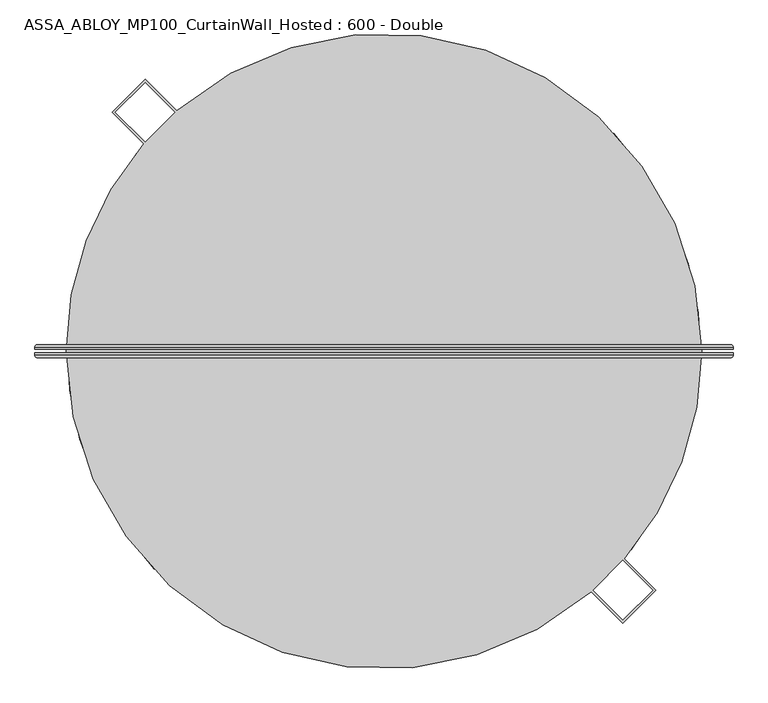
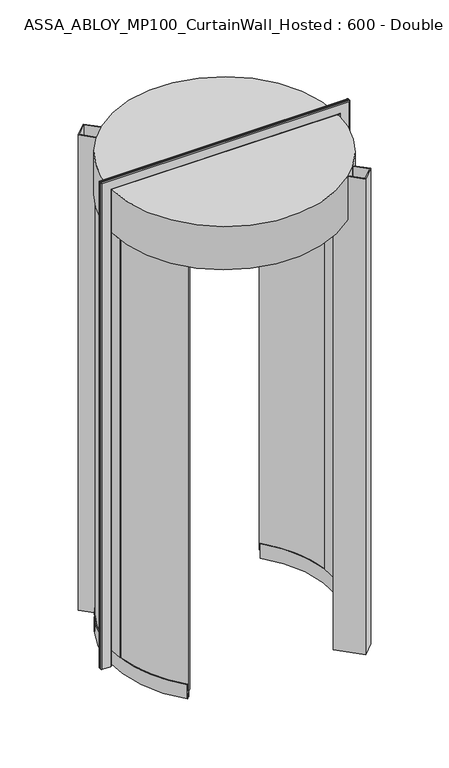
"""IFC4 building model written with IfcOpenShell, lengths in millimetres: plate geometry, ASSA_ABLOY_MP100_CurtainWall_Hosted : 600 - Double."""

from ifc_helpers import new_model, si_unit, point, frame, origin, origin_2d, place, context, project, spatial, polyline, circle_curve, ellipse_curve, trimmed, segment, composite_curve, outline, extrude, source, transform, mapped, element, save
from ifc_brep_helpers import plane_surface, cylinder_surface, revolved_surface, advanced_brep


def assa_abloy_mp100_curtainwall_hosted_600_double_f165bd57(model_context):
    return source(origin(), model_context, "Body", "SolidModel", [
        advanced_brep(
        [(595.0980762, 11.0, 0.0), (599.0980762, 7.0, 0.0), (599.0980762, 3.0, 0.0), (597.0980762, 3.0, 0.0), (597.0980762, 7.0, 0.0), (595.0980762, 9.0, 0.0), (553.0980762, 9.0, 0.0), (551.0980762, 7.0, 0.0), (551.0980762, 3.0, 0.0), (549.0980762, 3.0, 0.0), (549.0980762, 7.0, 0.0), (553.0980762, 11.0, 0.0), (595.0980762, 11.0, 2470.9980762), (599.0980762, 7.0, 2474.9980762), (599.0980762, 3.0, 2474.9980762), (549.0980762, 7.0, 2424.9980762), (553.0980762, 11.0, 2428.9980762), (-553.0980762, 11.0, 2428.9980762), (-553.0980762, 11.0, 0.0), (-595.0980762, 11.0, 0.0), (-595.0980762, 11.0, 2470.9980762), (-599.0980762, 7.0, 2474.9980762), (-599.0980762, 3.0, 2474.9980762), (-549.0980762, 7.0, 2424.9980762), (-549.0980762, 7.0, 0.0), (-549.0980762, 3.0, 0.0), (-551.0980762, 3.0, 0.0), (-551.0980762, 7.0, 0.0), (-553.0980762, 9.0, 0.0), (-595.0980762, 9.0, 0.0), (-597.0980762, 7.0, 0.0), (-597.0980762, 3.0, 0.0), (-599.0980762, 3.0, 0.0), (-599.0980762, 7.0, 0.0), (-597.0980762, 3.0, 2472.9980762), (597.0980762, 3.0, 2472.9980762), (597.0980762, 7.0, 2472.9980762), (595.0980762, 9.0, 2470.9980762), (-595.0980762, 9.0, 2470.9980762), (-553.0980762, 9.0, 2428.9980762), (553.0980762, 9.0, 2428.9980762), (551.0980762, 7.0, 2426.9980762), (551.0980762, 3.0, 2426.9980762), (-551.0980762, 3.0, 2426.9980762), (-549.0980762, 3.0, 2424.9980762), (549.0980762, 3.0, 2424.9980762), (-597.0980762, 7.0, 2472.9980762), (-551.0980762, 7.0, 2426.9980762)],
        [
            (0, 1, circle_curve(frame((595.0980762, 7.0, 0.0), z_axis=(0.0, 0.0, -1.0), x_axis=(-1.0, 0.0, 0.0)), 4.0)),
            (1, 2),
            (2, 3),
            (3, 4),
            (4, 5, circle_curve(frame((595.0980762, 7.0, 0.0), z_axis=(0.0, 0.0, 1.0), x_axis=(-1.0, 0.0, 0.0)), 2.0)),
            (5, 6),
            (6, 7, circle_curve(frame((553.0980762, 7.0, 0.0), z_axis=(0.0, 0.0, 1.0), x_axis=(-1.0, 0.0, 0.0)), 2.0)),
            (7, 8),
            (8, 9),
            (9, 10),
            (10, 11, circle_curve(frame((553.0980762, 7.0, 0.0), z_axis=(0.0, 0.0, -1.0), x_axis=(-1.0, 0.0, 0.0)), 4.0)),
            (11, 0),
            (0, 12),
            (12, 13, ellipse_curve(frame((595.0980762, 7.0, 2470.9980762), z_axis=(0.7071067811865475, 0.0, -0.7071067811865475), x_axis=(-0.7071067811865474, 0.0, -0.7071067811865476)), 5.6568542, 4.0)),
            (13, 1),
            (13, 14),
            (14, 2),
            (10, 15),
            (15, 16, ellipse_curve(frame((553.0980762, 7.0, 2428.9980762), z_axis=(0.7071067811865475, 0.0, -0.7071067811865475), x_axis=(-0.7071067811865474, 0.0, -0.7071067811865476)), 5.6568542, 4.0)),
            (16, 11),
            (16, 17),
            (17, 18),
            (18, 19),
            (19, 20),
            (20, 12),
            (20, 21, ellipse_curve(frame((-595.0980762, 7.0, 2470.9980762), z_axis=(0.7071067811865475, 0.0, 0.7071067811865475), x_axis=(0.7071067811865476, 0.0, -0.7071067811865474)), 5.6568542, 4.0)),
            (21, 13),
            (21, 22),
            (22, 14),
            (15, 23),
            (23, 17, ellipse_curve(frame((-553.0980762, 7.0, 2428.9980762), z_axis=(0.7071067811865475, 0.0, 0.7071067811865475), x_axis=(0.7071067811865476, 0.0, -0.7071067811865474)), 5.6568542, 4.0)),
            (18, 24, circle_curve(frame((-553.0980762, 7.0, 0.0), z_axis=(0.0, 0.0, -1.0), x_axis=(1.0, 0.0, 0.0)), 4.0)),
            (24, 25),
            (25, 26),
            (26, 27),
            (27, 28, circle_curve(frame((-553.0980762, 7.0, 0.0), z_axis=(0.0, 0.0, 1.0), x_axis=(1.0, 0.0, 0.0)), 2.0)),
            (28, 29),
            (29, 30, circle_curve(frame((-595.0980762, 7.0, 0.0), z_axis=(0.0, 0.0, 1.0), x_axis=(1.0, 0.0, 0.0)), 2.0)),
            (30, 31),
            (31, 32),
            (32, 33),
            (33, 19, circle_curve(frame((-595.0980762, 7.0, 0.0), z_axis=(0.0, 0.0, -1.0), x_axis=(1.0, 0.0, 0.0)), 4.0)),
            (33, 21),
            (32, 22),
            (23, 24),
            (31, 34),
            (34, 35),
            (35, 3),
            (35, 36),
            (36, 4),
            (36, 37, ellipse_curve(frame((595.0980762, 7.0, 2470.9980762), z_axis=(-0.7071067811865475, 0.0, 0.7071067811865475), x_axis=(0.7071067811865474, 0.0, 0.7071067811865476)), 2.8284271, 2.0)),
            (37, 5),
            (37, 38),
            (38, 29),
            (28, 39),
            (39, 40),
            (40, 6),
            (40, 41, ellipse_curve(frame((553.0980762, 7.0, 2428.9980762), z_axis=(-0.7071067811865475, 0.0, 0.7071067811865475), x_axis=(0.7071067811865474, 0.0, 0.7071067811865476)), 2.8284271, 2.0)),
            (41, 7),
            (41, 42),
            (42, 8),
            (42, 43),
            (43, 26),
            (25, 44),
            (44, 45),
            (45, 9),
            (45, 15),
            (34, 46),
            (46, 36),
            (46, 38, ellipse_curve(frame((-595.0980762, 7.0, 2470.9980762), z_axis=(-0.7071067811865475, 0.0, -0.7071067811865475), x_axis=(-0.7071067811865476, 0.0, 0.7071067811865474)), 2.8284271, 2.0)),
            (39, 47, ellipse_curve(frame((-553.0980762, 7.0, 2428.9980762), z_axis=(-0.7071067811865475, 0.0, -0.7071067811865475), x_axis=(-0.7071067811865476, 0.0, 0.7071067811865474)), 2.8284271, 2.0)),
            (47, 41),
            (47, 43),
            (44, 23),
            (30, 46),
            (27, 47),
        ],
        [
            plane_surface(frame((549.1, 0.0, 0.0), z_axis=(0.0, 0.0, -1.0), x_axis=(0.0, -1.0, 0.0))),
            cylinder_surface(frame((595.0980762, 7.0, 0.0), z_axis=(0.0, 0.0, -1.0), x_axis=(-1.0, 0.0, 0.0)), 4.0),
            plane_surface(frame((599.0980762, 7.0, 0.0), z_axis=(1.0, 0.0, 0.0), x_axis=(0.0, 0.0, 1.0))),
            cylinder_surface(frame((553.0980762, 7.0, 0.0), z_axis=(0.0, 0.0, -1.0), x_axis=(-1.0, 0.0, 0.0)), 4.0),
            plane_surface(frame((553.0980762, 11.0, 0.0), z_axis=(0.0, 1.0, 0.0), x_axis=(0.0, 0.0, 1.0))),
            cylinder_surface(frame((549.1, 7.0, 2470.9980762), z_axis=(1.0, 0.0, 0.0), x_axis=(0.0, 0.0, -1.0)), 4.0),
            plane_surface(frame((599.0980762, 7.0, 2474.9980762), z_axis=(0.0, 0.0, 1.0), x_axis=(-1.0, 0.0, 0.0))),
            cylinder_surface(frame((549.1, 7.0, 2428.9980762), z_axis=(1.0, 0.0, 0.0), x_axis=(0.0, 0.0, -1.0)), 4.0),
            plane_surface(frame((-549.1, 0.0, 0.0), z_axis=(0.0, 0.0, -1.0), x_axis=(0.0, -1.0, 0.0))),
            cylinder_surface(frame((-595.0980762, 7.0, 2425.0), z_axis=(0.0, 0.0, 1.0), x_axis=(1.0, 0.0, 0.0)), 4.0),
            plane_surface(frame((-599.0980762, 7.0, 2474.9980762), z_axis=(-1.0, 0.0, 0.0), x_axis=(0.0, 0.0, -1.0))),
            cylinder_surface(frame((-553.0980762, 7.0, 2425.0), z_axis=(0.0, 0.0, 1.0), x_axis=(1.0, 0.0, 0.0)), 4.0),
            plane_surface(frame((599.0980762, 3.0, 0.0), z_axis=(0.0, -1.0, 0.0), x_axis=(0.0, 0.0, 1.0))),
            plane_surface(frame((597.0980762, 3.0, 0.0), z_axis=(-1.0, 0.0, 0.0), x_axis=(0.0, 0.0, 1.0))),
            revolved_surface(polyline([(593.0980762, 7.0, 2472.9980762), (593.0980762, 7.0, 0.0)]), (595.0980762, 7.0, 0.0), (0.0, 0.0, 1.0)),
            plane_surface(frame((595.0980762, 9.0, 0.0), z_axis=(0.0, -1.0, 0.0), x_axis=(0.0, 0.0, 1.0))),
            revolved_surface(polyline([(551.0980762, 7.0, 2430.998076182502), (551.0980762, 7.0, 0.0)]), (553.0980762, 7.0, 0.0), (0.0, 0.0, 1.0)),
            plane_surface(frame((551.0980762, 7.0, 0.0), z_axis=(1.0, 0.0, 0.0), x_axis=(0.0, 0.0, 1.0))),
            plane_surface(frame((551.0980762, 3.0, 0.0), z_axis=(0.0, -1.0, 0.0), x_axis=(0.0, 0.0, 1.0))),
            plane_surface(frame((549.0980762, 3.0, 0.0), z_axis=(-1.0, 0.0, 0.0), x_axis=(0.0, 0.0, 1.0))),
            plane_surface(frame((597.0980762, 3.0, 2472.9980762), z_axis=(0.0, 0.0, -1.0), x_axis=(-1.0, 0.0, 0.0))),
            revolved_surface(polyline([(-597.0980762, 7.0, 2468.9980762), (597.0980762, 7.0, 2468.9980762)]), (549.1, 7.0, 2470.9980762), (-1.0, 0.0, 0.0)),
            revolved_surface(polyline([(-555.0980761825018, 7.0, 2426.9980762), (555.0980761825018, 7.0, 2426.9980762)]), (549.1, 7.0, 2428.9980762), (-1.0, 0.0, 0.0)),
            plane_surface(frame((551.0980762, 7.0, 2426.9980762), z_axis=(0.0, 0.0, 1.0), x_axis=(-1.0, 0.0, 0.0))),
            plane_surface(frame((549.0980762, 3.0, 2424.9980762), z_axis=(0.0, 0.0, -1.0), x_axis=(-1.0, 0.0, 0.0))),
            plane_surface(frame((-597.0980762, 3.0, 2472.9980762), z_axis=(1.0, 0.0, 0.0), x_axis=(0.0, 0.0, -1.0))),
            revolved_surface(polyline([(-593.0980762, 7.0, 0.0), (-593.0980762, 7.0, 2472.9980762)]), (-595.0980762, 7.0, 2425.0), (0.0, 0.0, -1.0)),
            revolved_surface(polyline([(-551.0980762, 7.0, 0.0), (-551.0980762, 7.0, 2430.998076182502)]), (-553.0980762, 7.0, 2425.0), (0.0, 0.0, -1.0)),
            plane_surface(frame((-551.0980762, 7.0, 2426.9980762), z_axis=(-1.0, 0.0, 0.0), x_axis=(0.0, 0.0, -1.0))),
            plane_surface(frame((-549.0980762, 3.0, 2424.9980762), z_axis=(1.0, 0.0, 0.0), x_axis=(0.0, 0.0, -1.0))),
        ],
        [
            (0, [[1, 2, 3, 4, 5, 6, 7, 8, 9, 10, 11, 12]]),
            (1, [[-1, 13, 14, 15]]),
            (2, [[-2, -15, 16, 17]]),
            (3, [[-11, 18, 19, 20]]),
            (4, [[-12, -20, 21, 22, 23, 24, 25, -13]]),
            (5, [[-14, -25, 26, 27]]),
            (6, [[-16, -27, 28, 29]]),
            (7, [[-19, 30, 31, -21]]),
            (8, [[-23, 32, 33, 34, 35, 36, 37, 38, 39, 40, 41, 42]]),
            (9, [[-26, -24, -42, 43]]),
            (10, [[-28, -43, -41, 44]]),
            (11, [[-31, 45, -32, -22]]),
            (12, [[-3, -17, -29, -44, -40, 46, 47, 48]]),
            (13, [[-4, -48, 49, 50]]),
            (14, [[-5, -50, 51, 52]]),
            (15, [[-6, -52, 53, 54, -37, 55, 56, 57]]),
            (16, [[-7, -57, 58, 59]]),
            (17, [[-8, -59, 60, 61]]),
            (18, [[-9, -61, 62, 63, -34, 64, 65, 66]]),
            (19, [[-10, -66, 67, -18]]),
            (20, [[-49, -47, 68, 69]]),
            (21, [[-51, -69, 70, -53]]),
            (22, [[-58, -56, 71, 72]]),
            (23, [[-60, -72, 73, -62]]),
            (24, [[-67, -65, 74, -30]]),
            (25, [[-68, -46, -39, 75]]),
            (26, [[-70, -75, -38, -54]]),
            (27, [[-71, -55, -36, 76]]),
            (28, [[-73, -76, -35, -63]]),
            (29, [[-74, -64, -33, -45]]),
        ],
    ),
        advanced_brep(
        [(549.0980762, -3.0, 0.0), (551.0980762, -3.0, 0.0), (551.0980762, -7.0, 0.0), (553.0980762, -9.0, 0.0), (595.0980762, -9.0, 0.0), (597.0980762, -7.0, 0.0), (597.0980762, -3.0, 0.0), (599.0980762, -3.0, 0.0), (599.0980762, -7.0, 0.0), (595.0980762, -11.0, 0.0), (553.0980762, -11.0, 0.0), (549.0980762, -7.0, 0.0), (599.0980762, -7.0, 2474.9980762), (595.0980762, -11.0, 2470.9980762), (-595.0980762, -11.0, 2470.9980762), (-595.0980762, -11.0, 0.0), (-553.0980762, -11.0, 0.0), (-553.0980762, -11.0, 2428.9980762), (553.0980762, -11.0, 2428.9980762), (549.0980762, -7.0, 2424.9980762), (549.0980762, -3.0, 2424.9980762), (-599.0980762, -7.0, 2474.9980762), (-549.0980762, -7.0, 2424.9980762), (-549.0980762, -3.0, 2424.9980762), (-549.0980762, -3.0, 0.0), (-549.0980762, -7.0, 0.0), (-599.0980762, -7.0, 0.0), (-599.0980762, -3.0, 0.0), (-597.0980762, -3.0, 0.0), (-597.0980762, -7.0, 0.0), (-595.0980762, -9.0, 0.0), (-553.0980762, -9.0, 0.0), (-551.0980762, -7.0, 0.0), (-551.0980762, -3.0, 0.0), (-551.0980762, -3.0, 2426.9980762), (551.0980762, -3.0, 2426.9980762), (551.0980762, -7.0, 2426.9980762), (553.0980762, -9.0, 2428.9980762), (-553.0980762, -9.0, 2428.9980762), (-595.0980762, -9.0, 2470.9980762), (595.0980762, -9.0, 2470.9980762), (597.0980762, -7.0, 2472.9980762), (597.0980762, -3.0, 2472.9980762), (-597.0980762, -3.0, 2472.9980762), (-599.0980762, -3.0, 2474.9980762), (599.0980762, -3.0, 2474.9980762), (-551.0980762, -7.0, 2426.9980762), (-597.0980762, -7.0, 2472.9980762)],
        [
            (0, 1),
            (1, 2),
            (2, 3, circle_curve(frame((553.0980762, -7.0, 0.0), z_axis=(0.0, 0.0, 1.0), x_axis=(-1.0, 0.0, 0.0)), 2.0)),
            (3, 4),
            (4, 5, circle_curve(frame((595.0980762, -7.0, 0.0), z_axis=(0.0, 0.0, 1.0), x_axis=(-1.0, 0.0, 0.0)), 2.0)),
            (5, 6),
            (6, 7),
            (7, 8),
            (8, 9, circle_curve(frame((595.0980762, -7.0, 0.0), z_axis=(0.0, 0.0, -1.0), x_axis=(-1.0, 0.0, 0.0)), 4.0)),
            (9, 10),
            (10, 11, circle_curve(frame((553.0980762, -7.0, 0.0), z_axis=(0.0, 0.0, -1.0), x_axis=(-1.0, 0.0, 0.0)), 4.0)),
            (11, 0),
            (8, 12),
            (12, 13, ellipse_curve(frame((595.0980762, -7.0, 2470.9980762), z_axis=(0.7071067811865475, 0.0, -0.7071067811865475), x_axis=(-0.7071067811865474, 0.0, -0.7071067811865476)), 5.6568542, 4.0)),
            (13, 9),
            (13, 14),
            (14, 15),
            (15, 16),
            (16, 17),
            (17, 18),
            (18, 10),
            (18, 19, ellipse_curve(frame((553.0980762, -7.0, 2428.9980762), z_axis=(0.7071067811865475, 0.0, -0.7071067811865475), x_axis=(-0.7071067811865474, 0.0, -0.7071067811865476)), 5.6568542, 4.0)),
            (19, 11),
            (19, 20),
            (20, 0),
            (12, 21),
            (21, 14, ellipse_curve(frame((-595.0980762, -7.0, 2470.9980762), z_axis=(0.7071067811865475, 0.0, 0.7071067811865475), x_axis=(0.7071067811865476, 0.0, -0.7071067811865474)), 5.6568542, 4.0)),
            (17, 22, ellipse_curve(frame((-553.0980762, -7.0, 2428.9980762), z_axis=(0.7071067811865475, 0.0, 0.7071067811865475), x_axis=(0.7071067811865476, 0.0, -0.7071067811865474)), 5.6568542, 4.0)),
            (22, 19),
            (22, 23),
            (23, 20),
            (24, 25),
            (25, 16, circle_curve(frame((-553.0980762, -7.0, 0.0), z_axis=(0.0, 0.0, -1.0), x_axis=(1.0, 0.0, 0.0)), 4.0)),
            (15, 26, circle_curve(frame((-595.0980762, -7.0, 0.0), z_axis=(0.0, 0.0, -1.0), x_axis=(1.0, 0.0, 0.0)), 4.0)),
            (26, 27),
            (27, 28),
            (28, 29),
            (29, 30, circle_curve(frame((-595.0980762, -7.0, 0.0), z_axis=(0.0, 0.0, 1.0), x_axis=(1.0, 0.0, 0.0)), 2.0)),
            (30, 31),
            (31, 32, circle_curve(frame((-553.0980762, -7.0, 0.0), z_axis=(0.0, 0.0, 1.0), x_axis=(1.0, 0.0, 0.0)), 2.0)),
            (32, 33),
            (33, 24),
            (21, 26),
            (25, 22),
            (24, 23),
            (33, 34),
            (34, 35),
            (35, 1),
            (35, 36),
            (36, 2),
            (36, 37, ellipse_curve(frame((553.0980762, -7.0, 2428.9980762), z_axis=(-0.7071067811865475, 0.0, 0.7071067811865475), x_axis=(0.7071067811865474, 0.0, 0.7071067811865476)), 2.8284271, 2.0)),
            (37, 3),
            (37, 38),
            (38, 31),
            (30, 39),
            (39, 40),
            (40, 4),
            (40, 41, ellipse_curve(frame((595.0980762, -7.0, 2470.9980762), z_axis=(-0.7071067811865475, 0.0, 0.7071067811865475), x_axis=(0.7071067811865474, 0.0, 0.7071067811865476)), 2.8284271, 2.0)),
            (41, 5),
            (41, 42),
            (42, 6),
            (42, 43),
            (43, 28),
            (27, 44),
            (44, 45),
            (45, 7),
            (45, 12),
            (34, 46),
            (46, 36),
            (46, 38, ellipse_curve(frame((-553.0980762, -7.0, 2428.9980762), z_axis=(-0.7071067811865475, 0.0, -0.7071067811865475), x_axis=(-0.7071067811865476, 0.0, 0.7071067811865474)), 2.8284271, 2.0)),
            (39, 47, ellipse_curve(frame((-595.0980762, -7.0, 2470.9980762), z_axis=(-0.7071067811865475, 0.0, -0.7071067811865475), x_axis=(-0.7071067811865476, 0.0, 0.7071067811865474)), 2.8284271, 2.0)),
            (47, 41),
            (47, 43),
            (44, 21),
            (32, 46),
            (29, 47),
        ],
        [
            plane_surface(frame((549.1, 0.0, 0.0), z_axis=(0.0, 0.0, -1.0), x_axis=(0.0, -1.0, 0.0))),
            cylinder_surface(frame((595.0980762, -7.0, 0.0), z_axis=(0.0, 0.0, -1.0), x_axis=(-1.0, 0.0, 0.0)), 4.0),
            plane_surface(frame((595.0980762, -11.0, 0.0), z_axis=(0.0, -1.0, 0.0), x_axis=(0.0, 0.0, 1.0))),
            cylinder_surface(frame((553.0980762, -7.0, 0.0), z_axis=(0.0, 0.0, -1.0), x_axis=(-1.0, 0.0, 0.0)), 4.0),
            plane_surface(frame((549.0980762, -7.0, 0.0), z_axis=(-1.0, 0.0, 0.0), x_axis=(0.0, 0.0, 1.0))),
            cylinder_surface(frame((549.1, -7.0, 2470.9980762), z_axis=(1.0, 0.0, 0.0), x_axis=(0.0, 0.0, -1.0)), 4.0),
            cylinder_surface(frame((549.1, -7.0, 2428.9980762), z_axis=(1.0, 0.0, 0.0), x_axis=(0.0, 0.0, -1.0)), 4.0),
            plane_surface(frame((549.0980762, -7.0, 2424.9980762), z_axis=(0.0, 0.0, -1.0), x_axis=(-1.0, 0.0, 0.0))),
            plane_surface(frame((-549.1, 0.0, 0.0), z_axis=(0.0, 0.0, -1.0), x_axis=(0.0, -1.0, 0.0))),
            cylinder_surface(frame((-595.0980762, -7.0, 2425.0), z_axis=(0.0, 0.0, 1.0), x_axis=(1.0, 0.0, 0.0)), 4.0),
            cylinder_surface(frame((-553.0980762, -7.0, 2425.0), z_axis=(0.0, 0.0, 1.0), x_axis=(1.0, 0.0, 0.0)), 4.0),
            plane_surface(frame((-549.0980762, -7.0, 2424.9980762), z_axis=(1.0, 0.0, 0.0), x_axis=(0.0, 0.0, -1.0))),
            plane_surface(frame((549.0980762, -3.0, 0.0), z_axis=(0.0, 1.0, 0.0), x_axis=(0.0, 0.0, 1.0))),
            plane_surface(frame((551.0980762, -3.0, 0.0), z_axis=(1.0, 0.0, 0.0), x_axis=(0.0, 0.0, 1.0))),
            revolved_surface(polyline([(551.0980762, -7.0, 2430.998076182502), (551.0980762, -7.0, 0.0)]), (553.0980762, -7.0, 0.0), (0.0, 0.0, 1.0)),
            plane_surface(frame((553.0980762, -9.0, 0.0), z_axis=(0.0, 1.0, 0.0), x_axis=(0.0, 0.0, 1.0))),
            revolved_surface(polyline([(593.0980762, -7.0, 2472.9980762), (593.0980762, -7.0, 0.0)]), (595.0980762, -7.0, 0.0), (0.0, 0.0, 1.0)),
            plane_surface(frame((597.0980762, -7.0, 0.0), z_axis=(-1.0, 0.0, 0.0), x_axis=(0.0, 0.0, 1.0))),
            plane_surface(frame((597.0980762, -3.0, 0.0), z_axis=(0.0, 1.0, 0.0), x_axis=(0.0, 0.0, 1.0))),
            plane_surface(frame((599.0980762, -3.0, 0.0), z_axis=(1.0, 0.0, 0.0), x_axis=(0.0, 0.0, 1.0))),
            plane_surface(frame((551.0980762, -3.0, 2426.9980762), z_axis=(0.0, 0.0, 1.0), x_axis=(-1.0, 0.0, 0.0))),
            revolved_surface(polyline([(-555.0980761825018, -7.0, 2426.9980762), (555.0980761825018, -7.0, 2426.9980762)]), (549.1, -7.0, 2428.9980762), (-1.0, 0.0, 0.0)),
            revolved_surface(polyline([(-597.0980762, -7.0, 2468.9980762), (597.0980762, -7.0, 2468.9980762)]), (549.1, -7.0, 2470.9980762), (-1.0, 0.0, 0.0)),
            plane_surface(frame((597.0980762, -7.0, 2472.9980762), z_axis=(0.0, 0.0, -1.0), x_axis=(-1.0, 0.0, 0.0))),
            plane_surface(frame((599.0980762, -3.0, 2474.9980762), z_axis=(0.0, 0.0, 1.0), x_axis=(-1.0, 0.0, 0.0))),
            plane_surface(frame((-551.0980762, -3.0, 2426.9980762), z_axis=(-1.0, 0.0, 0.0), x_axis=(0.0, 0.0, -1.0))),
            revolved_surface(polyline([(-551.0980762, -7.0, 0.0), (-551.0980762, -7.0, 2430.998076182502)]), (-553.0980762, -7.0, 2425.0), (0.0, 0.0, -1.0)),
            revolved_surface(polyline([(-593.0980762, -7.0, 0.0), (-593.0980762, -7.0, 2472.9980762)]), (-595.0980762, -7.0, 2425.0), (0.0, 0.0, -1.0)),
            plane_surface(frame((-597.0980762, -7.0, 2472.9980762), z_axis=(1.0, 0.0, 0.0), x_axis=(0.0, 0.0, -1.0))),
            plane_surface(frame((-599.0980762, -3.0, 2474.9980762), z_axis=(-1.0, 0.0, 0.0), x_axis=(0.0, 0.0, -1.0))),
        ],
        [
            (0, [[1, 2, 3, 4, 5, 6, 7, 8, 9, 10, 11, 12]]),
            (1, [[-9, 13, 14, 15]]),
            (2, [[-10, -15, 16, 17, 18, 19, 20, 21]]),
            (3, [[-11, -21, 22, 23]]),
            (4, [[-12, -23, 24, 25]]),
            (5, [[-14, 26, 27, -16]]),
            (6, [[-22, -20, 28, 29]]),
            (7, [[-24, -29, 30, 31]]),
            (8, [[32, 33, -18, 34, 35, 36, 37, 38, 39, 40, 41, 42]]),
            (9, [[-27, 43, -34, -17]]),
            (10, [[-28, -19, -33, 44]]),
            (11, [[-30, -44, -32, 45]]),
            (12, [[-1, -25, -31, -45, -42, 46, 47, 48]]),
            (13, [[-2, -48, 49, 50]]),
            (14, [[-3, -50, 51, 52]]),
            (15, [[-4, -52, 53, 54, -39, 55, 56, 57]]),
            (16, [[-5, -57, 58, 59]]),
            (17, [[-6, -59, 60, 61]]),
            (18, [[-7, -61, 62, 63, -36, 64, 65, 66]]),
            (19, [[-8, -66, 67, -13]]),
            (20, [[-49, -47, 68, 69]]),
            (21, [[-51, -69, 70, -53]]),
            (22, [[-58, -56, 71, 72]]),
            (23, [[-60, -72, 73, -62]]),
            (24, [[-67, -65, 74, -26]]),
            (25, [[-68, -46, -41, 75]]),
            (26, [[-70, -75, -40, -54]]),
            (27, [[-71, -55, -38, 76]]),
            (28, [[-73, -76, -37, -63]]),
            (29, [[-74, -64, -35, -43]]),
        ],
    ),
        advanced_brep(
        [(-379.7517034, -360.4070563, 73.0), (-381.9277231, -362.472229, 73.0), (-381.9277231, -362.472229, 39.0), (-392.0824817, -372.1097016, 39.0), (-392.0824817, -372.1097016, 73.0), (-394.2585014, -374.1748743, 73.0), (-394.2585014, -374.1748743, 0.0), (-392.0824817, -372.1097016, 0.0), (-392.0824817, -372.1097016, 24.0), (-381.9277231, -362.472229, 24.0), (-381.9277231, -362.472229, 0.0), (-379.7517034, -360.4070563, 0.0), (-408.2986839, 327.7144904, 73.0), (-408.2986839, 327.7144904, 0.0), (-410.638281, 329.5923311, 0.0), (-410.638281, 329.5923311, 24.0), (-421.5564007, 338.3555874, 24.0), (-421.5564007, 338.3555874, 0.0), (-423.8959978, 340.2334281, 0.0), (-423.8959978, 340.2334281, 73.0), (-421.5564007, 338.3555874, 73.0), (-421.5564007, 338.3555874, 39.0), (-410.638281, 329.5923311, 39.0), (-410.638281, 329.5923311, 73.0), (-519.6530012, -63.760182, 73.0), (-522.630671, -64.1255349, 73.0), (-526.2534983, 17.6679957, 73.0), (-523.2551876, 17.567333, 73.0), (-540.2456149, 18.1377521, 73.0), (-536.5264636, -65.8305123, 73.0), (-539.5041334, -66.1958651, 73.0), (-543.2439256, 18.2384148, 73.0), (-543.2439256, 18.2384148, 2200.0), (-539.5041334, -66.1958651, 2200.0), (-536.5264636, -65.8305123, 2200.0), (-540.2456149, 18.1377521, 2200.0), (-523.2551876, 17.567333, 2200.0), (-526.2534983, 17.6679957, 2200.0), (-522.630671, -64.1255349, 2200.0), (-519.6530012, -63.760182, 2200.0)],
        [
            (0, 1),
            (1, 2),
            (2, 3),
            (3, 4),
            (4, 5),
            (5, 6),
            (6, 7),
            (7, 8),
            (8, 9),
            (9, 10),
            (10, 11),
            (11, 0),
            (12, 13),
            (13, 14),
            (14, 15),
            (15, 16),
            (16, 17),
            (17, 18),
            (18, 19),
            (19, 20),
            (20, 21),
            (21, 22),
            (22, 23),
            (23, 12),
            (0, 24, circle_curve(frame((0.0, 0.0, 73.0), z_axis=(0.0, 0.0, -1.0), x_axis=(-0.7253398976610149, -0.6883909012044744, 0.0)), 523.55)),
            (24, 25),
            (25, 1, circle_curve(frame((0.0, 0.0, 73.0), z_axis=(0.0, 0.0, 1.0), x_axis=(-0.7253398976610149, -0.6883909012044744, 0.0)), 526.55)),
            (23, 26, circle_curve(frame((0.0, 0.0, 73.0), z_axis=(0.0, 0.0, 1.0), x_axis=(-0.7253398976610149, -0.6883909012044744, 0.0)), 526.55)),
            (26, 27),
            (27, 12, circle_curve(frame((0.0, 0.0, 73.0), z_axis=(0.0, 0.0, -1.0), x_axis=(-0.7253398976610149, -0.6883909012044744, 0.0)), 523.55)),
            (25, 26, circle_curve(frame((0.0, 0.0, 73.0), z_axis=(0.0, 0.0, -1.0), x_axis=(-0.7253398976610149, -0.6883909012044744, 0.0)), 526.55)),
            (22, 2, circle_curve(frame((0.0, 0.0, 39.0), z_axis=(0.0, 0.0, 1.0), x_axis=(-0.7253398976610149, -0.6883909012044744, 0.0)), 526.55)),
            (21, 3, circle_curve(frame((0.0, 0.0, 39.0), z_axis=(0.0, 0.0, 1.0), x_axis=(-0.7253398976610149, -0.6883909012044744, 0.0)), 540.55)),
            (20, 28, circle_curve(frame((0.0, 0.0, 73.0), z_axis=(0.0, 0.0, 1.0), x_axis=(-0.7253398976610149, -0.6883909012044744, 0.0)), 540.55)),
            (28, 29, circle_curve(frame((0.0, 0.0, 73.0), z_axis=(0.0, 0.0, 1.0), x_axis=(-0.7253398976610149, -0.6883909012044744, 0.0)), 540.55)),
            (29, 4, circle_curve(frame((0.0, 0.0, 73.0), z_axis=(0.0, 0.0, 1.0), x_axis=(-0.7253398976610149, -0.6883909012044744, 0.0)), 540.55)),
            (29, 30),
            (30, 5, circle_curve(frame((0.0, 0.0, 73.0), z_axis=(0.0, 0.0, 1.0), x_axis=(-0.7253398976610149, -0.6883909012044744, 0.0)), 543.55)),
            (19, 31, circle_curve(frame((0.0, 0.0, 73.0), z_axis=(0.0, 0.0, 1.0), x_axis=(-0.7253398976610149, -0.6883909012044744, 0.0)), 543.55)),
            (31, 28),
            (30, 31, circle_curve(frame((0.0, 0.0, 73.0), z_axis=(0.0, 0.0, -1.0), x_axis=(-0.7253398976610149, -0.6883909012044744, 0.0)), 543.55)),
            (18, 6, circle_curve(frame((0.0, 0.0, 0.0), z_axis=(0.0, 0.0, 1.0), x_axis=(-0.7253398976610149, -0.6883909012044744, 0.0)), 543.55)),
            (17, 7, circle_curve(frame((0.0, 0.0, 0.0), z_axis=(0.0, 0.0, 1.0), x_axis=(-0.7253398976610149, -0.6883909012044744, 0.0)), 540.55)),
            (16, 8, circle_curve(frame((0.0, 0.0, 24.0), z_axis=(0.0, 0.0, 1.0), x_axis=(-0.7253398976610149, -0.6883909012044744, 0.0)), 540.55)),
            (15, 9, circle_curve(frame((0.0, 0.0, 24.0), z_axis=(0.0, 0.0, 1.0), x_axis=(-0.7253398976610149, -0.6883909012044744, 0.0)), 526.55)),
            (14, 10, circle_curve(frame((0.0, 0.0, 0.0), z_axis=(0.0, 0.0, 1.0), x_axis=(-0.7253398976610149, -0.6883909012044744, 0.0)), 526.55)),
            (13, 11, circle_curve(frame((0.0, 0.0, 0.0), z_axis=(0.0, 0.0, 1.0), x_axis=(-0.7253398976610149, -0.6883909012044744, 0.0)), 523.55)),
            (27, 24, circle_curve(frame((0.0, 0.0, 73.0), z_axis=(0.0, 0.0, 1.0), x_axis=(-0.7253398976610149, -0.6883909012044744, 0.0)), 523.55)),
            (32, 33, circle_curve(frame((0.0, 0.0, 2200.0), z_axis=(0.0, 0.0, 1.0), x_axis=(0.7071067811865459, -0.7071067811865491, 0.0)), 543.55)),
            (33, 34),
            (34, 35, circle_curve(frame((0.0, 0.0, 2200.0), z_axis=(0.0, 0.0, -1.0), x_axis=(0.7071067811865459, -0.7071067811865491, 0.0)), 540.55)),
            (35, 32),
            (32, 31),
            (30, 33),
            (29, 34),
            (28, 35),
            (36, 37),
            (37, 38, circle_curve(frame((0.0, 0.0, 2200.0), z_axis=(0.0, 0.0, 1.0), x_axis=(0.7071067811865459, -0.7071067811865492, 0.0)), 526.55)),
            (38, 39),
            (39, 36, circle_curve(frame((0.0, 0.0, 2200.0), z_axis=(0.0, 0.0, -1.0), x_axis=(0.7071067811865459, -0.7071067811865492, 0.0)), 523.55)),
            (36, 27),
            (26, 37),
            (25, 38),
            (24, 39),
        ],
        [
            plane_surface(frame((-387.0051024, -367.2909653, 0.0), z_axis=(0.6883909012044744, -0.725339897661015, 0.0), x_axis=(0.0, 0.0, 1.0))),
            plane_surface(frame((-416.0973408, 333.9739593, 0.0), z_axis=(0.6259468826825044, 0.7798656936037481, 0.0), x_axis=(0.0, 0.0, 1.0))),
            plane_surface(frame((0.0, 0.0, 73.0), z_axis=(0.0, 0.0, 1.0), x_axis=(-0.7253398976610149, -0.6883909012044744, 0.0))),
            cylinder_surface(frame((0.0, 0.0, 0.0), z_axis=(0.0, 0.0, -1.0), x_axis=(-0.7253398976610149, -0.6883909012044744, 0.0)), 526.55),
            plane_surface(frame((0.0, 0.0, 39.0), z_axis=(0.0, 0.0, 1.0), x_axis=(-0.7253398976610149, -0.6883909012044744, 0.0))),
            revolved_surface(polyline([(-392.0824816806616, -372.10970164607863, 39.0), (-392.0824816806616, -372.10970164607863, 73.0)]), (0.0, 0.0, 0.0), (0.0, 0.0, -1.0)),
            cylinder_surface(frame((0.0, 0.0, 0.0), z_axis=(0.0, 0.0, -1.0), x_axis=(-0.7253398976610149, -0.6883909012044744, 0.0)), 543.55),
            plane_surface(frame((0.0, 0.0, 0.0), z_axis=(0.0, 0.0, -1.0), x_axis=(-0.7253398976610149, -0.6883909012044744, 0.0))),
            revolved_surface(polyline([(-392.0824816806616, -372.10970164607863, 0.0), (-392.0824816806616, -372.10970164607863, 24.0)]), (0.0, 0.0, 0.0), (0.0, 0.0, -1.0)),
            plane_surface(frame((0.0, 0.0, 24.0), z_axis=(0.0, 0.0, -1.0), x_axis=(-0.7253398976610149, -0.6883909012044744, 0.0))),
            revolved_surface(polyline([(-379.75170342042435, -360.4070563256026, 0.0), (-379.75170342042435, -360.4070563256026, 73.0)]), (0.0, 0.0, 0.0), (0.0, 0.0, -1.0)),
            plane_surface(frame((384.3478909, -384.3478909, 2200.0), z_axis=(0.0, 0.0, 1.0), x_axis=(0.7071067811865491, 0.7071067811865459, 0.0))),
            cylinder_surface(frame((0.0, 0.0, 73.0), z_axis=(0.0, 0.0, 1.0), x_axis=(0.7071067811865459, -0.7071067811865491, 0.0)), 543.55),
            plane_surface(frame((-539.5041334, -66.1958651, 2200.0), z_axis=(0.1217842920042436, -0.9925565909413051, 0.0), x_axis=(0.0, 0.0, -1.0))),
            revolved_surface(polyline([(382.22657057038737, -382.2265705703891, 73.0), (382.22657057038737, -382.2265705703891, 2200.0)]), (0.0, 0.0, 73.0), (0.0, 0.0, -1.0)),
            plane_surface(frame((-540.2456149, 18.1377521, 2200.0), z_axis=(0.033554229627503304, 0.9994368982952875, 0.0), x_axis=(0.0, 0.0, -1.0))),
            plane_surface(frame((-523.2551876, 17.567333, 2200.0), z_axis=(0.0, 0.0, 1.0000000000000002), x_axis=(-0.9994368982082206, 0.03355423222085559, 0.0))),
            plane_surface(frame((-523.2551876, 17.567333, 2200.0), z_axis=(0.03355423222085559, 0.9994368982082206, 0.0), x_axis=(0.0, 0.0, -1.0))),
            cylinder_surface(frame((0.0, 0.0, 73.0), z_axis=(0.0, 0.0, 1.0000000000000002), x_axis=(0.7071067811865459, -0.7071067811865492, 0.0)), 526.55),
            plane_surface(frame((-522.630671, -64.1255349, 2200.0), z_axis=(0.12178429472698447, -0.9925565906072313, 0.0), x_axis=(0.0, 0.0, -1.0))),
            revolved_surface(polyline([(370.2057552902161, -370.20575529021784, 73.0), (370.2057552902161, -370.20575529021784, 2200.000000000001)]), (0.0, 0.0, 73.0), (0.0, 0.0, -1.0000000000000002)),
        ],
        [
            (0, [[1, 2, 3, 4, 5, 6, 7, 8, 9, 10, 11, 12]]),
            (1, [[13, 14, 15, 16, 17, 18, 19, 20, 21, 22, 23, 24]]),
            (2, [[-1, 25, 26, 27]]),
            (2, [[-24, 28, 29, 30]]),
            (3, [[-2, -27, 31, -28, -23, 32]]),
            (4, [[-3, -32, -22, 33]]),
            (5, [[-4, -33, -21, 34, 35, 36]]),
            (2, [[-5, -36, 37, 38]]),
            (2, [[-20, 39, 40, -34]]),
            (6, [[-6, -38, 41, -39, -19, 42]]),
            (7, [[-7, -42, -18, 43]]),
            (8, [[-8, -43, -17, 44]]),
            (9, [[-9, -44, -16, 45]]),
            (3, [[-10, -45, -15, 46]]),
            (7, [[-11, -46, -14, 47]]),
            (10, [[-12, -47, -13, -30, 48, -25]]),
            (11, [[49, 50, 51, 52]]),
            (12, [[-49, 53, -41, 54]]),
            (13, [[-50, -54, -37, 55]]),
            (14, [[-51, -55, -35, 56]]),
            (15, [[-52, -56, -40, -53]]),
            (16, [[57, 58, 59, 60]]),
            (17, [[-57, 61, -29, 62]]),
            (18, [[-58, -62, -31, 63]]),
            (19, [[-59, -63, -26, 64]]),
            (20, [[-60, -64, -48, -61]]),
        ],
    ),
        advanced_brep(
        [(539.502708, 66.1956627, 2200.0), (536.5250382, 65.8303099, 2200.0), (540.2441773, -18.1376765, 2200.0), (543.2424879, -18.2383391, 2200.0), (539.502708, 66.1956627, 73.0), (536.5250382, 65.8303099, 73.0), (540.2441773, -18.1376765, 73.0), (543.2424879, -18.2383391, 73.0), (421.5578551, -338.3514758, 24.0), (421.5578551, -338.3514758, 0.0), (423.8974665, -340.2292986, 0.0), (423.8974665, -340.2292986, 73.0), (421.5578551, -338.3514758, 73.0), (421.5578551, -338.3514758, 39.0), (410.6396687, -329.5883026, 39.0), (410.6396687, -329.5883026, 73.0), (408.3000573, -327.7104797, 73.0), (408.3000573, -327.7104797, 0.0), (410.6396687, -329.5883026, 0.0), (410.6396687, -329.5883026, 24.0), (392.0833993, 372.1066438, 24.0), (381.92859, 362.4692247, 24.0), (381.92859, 362.4692247, 0.0), (379.7525594, 360.4040634, 0.0), (379.7525594, 360.4040634, 73.0), (381.92859, 362.4692247, 73.0), (381.92859, 362.4692247, 39.0), (392.0833993, 372.1066438, 39.0), (392.0833993, 372.1066438, 73.0), (394.2594299, 374.171805, 73.0), (394.2594299, 374.171805, 0.0), (392.0833993, 372.1066438, 0.0), (522.6292459, 64.1253301, 73.0), (526.2520607, -17.6679176, 73.0), (523.25375, -17.567255, 73.0), (519.6515761, 63.7599773, 73.0), (519.6515761, 63.7599773, 2200.0), (523.25375, -17.567255, 2200.0), (526.2520607, -17.6679176, 2200.0), (522.6292459, 64.1253301, 2200.0)],
        [
            (0, 1),
            (1, 2, circle_curve(frame((0.0, 0.0, 2200.0), z_axis=(0.0, 0.0, -1.0), x_axis=(-0.7071067811865481, -0.7071067811865469, 0.0)), 540.5485606)),
            (2, 3),
            (3, 0, circle_curve(frame((0.0, 0.0, 2200.0), z_axis=(0.0, 0.0, 1.0), x_axis=(-0.7071067811865481, -0.7071067811865469, 0.0)), 543.5485606)),
            (0, 4),
            (4, 5),
            (5, 1),
            (5, 6, circle_curve(frame((0.0, 0.0, 73.0), z_axis=(0.0, 0.0, -1.0), x_axis=(-0.7071067811865481, -0.7071067811865469, 0.0)), 540.5485606)),
            (6, 2),
            (6, 7),
            (7, 3),
            (7, 4, circle_curve(frame((0.0, 0.0, 73.0), z_axis=(0.0, 0.0, 1.0), x_axis=(-0.7071067811865481, -0.7071067811865469, 0.0)), 543.5485606)),
            (8, 9),
            (9, 10),
            (10, 11),
            (11, 12),
            (12, 13),
            (13, 14),
            (14, 15),
            (15, 16),
            (16, 17),
            (17, 18),
            (18, 19),
            (19, 8),
            (20, 21),
            (21, 22),
            (22, 23),
            (23, 24),
            (24, 25),
            (25, 26),
            (26, 27),
            (27, 28),
            (28, 29),
            (29, 30),
            (30, 31),
            (31, 20),
            (8, 20, circle_curve(frame((0.0, 0.0, 24.0), z_axis=(0.0, 0.0, 1.0), x_axis=(0.779870460956357, -0.6259409430031871, 0.0)), 540.5485606)),
            (31, 9, circle_curve(frame((0.0, 0.0, 0.0), z_axis=(0.0, 0.0, -1.0), x_axis=(0.779870460956357, -0.6259409430031871, 0.0)), 540.5485606)),
            (30, 10, circle_curve(frame((0.0, 0.0, 0.0), z_axis=(0.0, 0.0, -1.0), x_axis=(0.779870460956357, -0.6259409430031871, 0.0)), 543.5485606)),
            (29, 4, circle_curve(frame((0.0, 0.0, 73.0), z_axis=(0.0, 0.0, -1.0), x_axis=(0.779870460956357, -0.6259409430031871, 0.0)), 543.5485606)),
            (7, 11, circle_curve(frame((0.0, 0.0, 73.0), z_axis=(0.0, 0.0, -1.0), x_axis=(0.779870460956357, -0.6259409430031871, 0.0)), 543.5485606)),
            (6, 12, circle_curve(frame((0.0, 0.0, 73.0), z_axis=(0.0, 0.0, -1.0), x_axis=(0.779870460956357, -0.6259409430031871, 0.0)), 540.5485606)),
            (28, 5, circle_curve(frame((0.0, 0.0, 73.0), z_axis=(0.0, 0.0, -1.0), x_axis=(0.779870460956357, -0.6259409430031871, 0.0)), 540.5485606)),
            (27, 13, circle_curve(frame((0.0, 0.0, 39.0), z_axis=(0.0, 0.0, -1.0), x_axis=(0.779870460956357, -0.6259409430031871, 0.0)), 540.5485606)),
            (26, 14, circle_curve(frame((0.0, 0.0, 39.0), z_axis=(0.0, 0.0, -1.0), x_axis=(0.779870460956357, -0.6259409430031871, 0.0)), 526.5485606)),
            (25, 32, circle_curve(frame((0.0, 0.0, 73.0), z_axis=(0.0, 0.0, -1.0), x_axis=(0.779870460956357, -0.6259409430031871, 0.0)), 526.5485606)),
            (32, 33, circle_curve(frame((0.0, 0.0, 73.0), z_axis=(0.0, 0.0, -1.0), x_axis=(0.779870460956357, -0.6259409430031871, 0.0)), 526.5485606)),
            (33, 15, circle_curve(frame((0.0, 0.0, 73.0), z_axis=(0.0, 0.0, -1.0), x_axis=(0.779870460956357, -0.6259409430031871, 0.0)), 526.5485606)),
            (33, 34),
            (34, 16, circle_curve(frame((0.0, 0.0, 73.0), z_axis=(0.0, 0.0, -1.0), x_axis=(0.779870460956357, -0.6259409430031871, 0.0)), 523.5485606)),
            (24, 35, circle_curve(frame((0.0, 0.0, 73.0), z_axis=(0.0, 0.0, -1.0), x_axis=(0.779870460956357, -0.6259409430031871, 0.0)), 523.5485606)),
            (35, 32),
            (34, 35, circle_curve(frame((0.0, 0.0, 73.0), z_axis=(0.0, 0.0, 1.0), x_axis=(0.779870460956357, -0.6259409430031871, 0.0)), 523.5485606)),
            (23, 17, circle_curve(frame((0.0, 0.0, 0.0), z_axis=(0.0, 0.0, -1.0), x_axis=(0.779870460956357, -0.6259409430031871, 0.0)), 523.5485606)),
            (22, 18, circle_curve(frame((0.0, 0.0, 0.0), z_axis=(0.0, 0.0, -1.0), x_axis=(0.779870460956357, -0.6259409430031871, 0.0)), 526.5485606)),
            (21, 19, circle_curve(frame((0.0, 0.0, 24.0), z_axis=(0.0, 0.0, -1.0), x_axis=(0.779870460956357, -0.6259409430031871, 0.0)), 526.5485606)),
            (36, 37, circle_curve(frame((0.0, 0.0, 2200.0), z_axis=(0.0, 0.0, -1.0), x_axis=(-0.707106781186548, -0.707106781186547, 0.0)), 523.5485606)),
            (37, 38),
            (38, 39, circle_curve(frame((0.0, 0.0, 2200.0), z_axis=(0.0, 0.0, 1.0), x_axis=(-0.707106781186548, -0.707106781186547, 0.0)), 526.5485606)),
            (39, 36),
            (36, 35),
            (34, 37),
            (33, 38),
            (32, 39),
        ],
        [
            plane_surface(frame((539.502708, 66.1956627, 2200.0), z_axis=(0.0, 0.0, 1.0), x_axis=(-0.99255659409558, -0.12178426629652185, 0.0))),
            plane_surface(frame((539.502708, 66.1956627, 2200.0), z_axis=(-0.12178426629652185, 0.99255659409558, 0.0), x_axis=(0.0, 0.0, -1.0))),
            revolved_surface(polyline([(-382.22555276088775, -382.22555276088707, 73.0), (-382.22555276088775, -382.22555276088707, 2200.0)]), (0.0, 0.0, 73.0), (0.0, 0.0, -1.0)),
            plane_surface(frame((540.2441773, -18.1376765, 2200.0), z_axis=(-0.0335542036729528, -0.9994368991666628, 0.0), x_axis=(0.0, 0.0, -1.0))),
            cylinder_surface(frame((0.0, 0.0, 73.0), z_axis=(0.0, 0.0, 1.0), x_axis=(-0.7071067811865481, -0.7071067811865469, 0.0)), 543.5485606),
            plane_surface(frame((416.0987619, -333.9698892, 0.0), z_axis=(-0.6259409430031871, -0.779870460956357, 0.0), x_axis=(0.0, 0.0, 1.0))),
            plane_surface(frame((387.0059947, 367.2879342, 0.0), z_axis=(-0.6883870772697822, 0.7253435267843555, 0.0), x_axis=(0.0, 0.0, 1.0))),
            revolved_surface(polyline([(421.5578551244173, -338.35147576097944, 24.0), (421.5578551244173, -338.35147576097944, 0.0)]), (0.0, 0.0, 0.0), (0.0, 0.0, 1.0)),
            plane_surface(frame((0.0, 0.0, 0.0), z_axis=(0.0, 0.0, -1.0), x_axis=(0.779870460956357, -0.6259409430031871, 0.0))),
            cylinder_surface(frame((0.0, 0.0, 0.0), z_axis=(0.0, 0.0, 1.0), x_axis=(0.779870460956357, -0.6259409430031871, 0.0)), 543.5485606),
            plane_surface(frame((0.0, 0.0, 73.0), z_axis=(0.0, 0.0, 1.0), x_axis=(0.779870460956357, -0.6259409430031871, 0.0))),
            revolved_surface(polyline([(421.5578551244173, -338.35147576097944, 73.0), (421.5578551244173, -338.35147576097944, 39.0)]), (0.0, 0.0, 0.0), (0.0, 0.0, 1.0)),
            plane_surface(frame((0.0, 0.0, 39.0), z_axis=(0.0, 0.0, 1.0), x_axis=(0.779870460956357, -0.6259409430031871, 0.0))),
            cylinder_surface(frame((0.0, 0.0, 0.0), z_axis=(0.0, 0.0, 1.0), x_axis=(0.779870460956357, -0.6259409430031871, 0.0)), 526.5485606),
            revolved_surface(polyline([(408.3000572881592, -327.7104797299253, 73.0), (408.3000572881592, -327.7104797299253, 0.0)]), (0.0, 0.0, 0.0), (0.0, 0.0, 1.0)),
            plane_surface(frame((0.0, 0.0, 24.0), z_axis=(0.0, 0.0, -1.0), x_axis=(0.779870460956357, -0.6259409430031871, 0.0))),
            plane_surface(frame((-370.2047375, -370.2047375, 2200.0), z_axis=(0.0, 0.0, 1.0), x_axis=(-0.707106781186547, 0.707106781186548, 0.0))),
            revolved_surface(polyline([(-370.20473748071635, -370.20473748071583, 73.0), (-370.20473748071635, -370.20473748071583, 2200.0)]), (0.0, 0.0, 73.0), (0.0, 0.0, -1.0)),
            plane_surface(frame((523.25375, -17.567255, 2200.0), z_axis=(-0.033554203670267166, -0.9994368991667529, 0.0), x_axis=(0.0, 0.0, -1.0))),
            cylinder_surface(frame((0.0, 0.0, 73.0), z_axis=(0.0, 0.0, 1.0), x_axis=(-0.707106781186548, -0.707106781186547, 0.0)), 526.5485606),
            plane_surface(frame((522.6292459, 64.1253301, 2200.0), z_axis=(-0.12178426630418308, 0.99255659409464, 0.0), x_axis=(0.0, 0.0, -1.0))),
        ],
        [
            (0, [[1, 2, 3, 4]]),
            (1, [[-1, 5, 6, 7]]),
            (2, [[-2, -7, 8, 9]]),
            (3, [[-3, -9, 10, 11]]),
            (4, [[-4, -11, 12, -5]]),
            (5, [[13, 14, 15, 16, 17, 18, 19, 20, 21, 22, 23, 24]]),
            (6, [[25, 26, 27, 28, 29, 30, 31, 32, 33, 34, 35, 36]]),
            (7, [[-13, 37, -36, 38]]),
            (8, [[-14, -38, -35, 39]]),
            (9, [[-15, -39, -34, 40, -12, 41]]),
            (10, [[-16, -41, -10, 42]]),
            (10, [[-33, 43, -6, -40]]),
            (11, [[-17, -42, -8, -43, -32, 44]]),
            (12, [[-18, -44, -31, 45]]),
            (13, [[-19, -45, -30, 46, 47, 48]]),
            (10, [[-20, -48, 49, 50]]),
            (10, [[-29, 51, 52, -46]]),
            (14, [[-21, -50, 53, -51, -28, 54]]),
            (8, [[-22, -54, -27, 55]]),
            (13, [[-23, -55, -26, 56]]),
            (15, [[-24, -56, -25, -37]]),
            (16, [[57, 58, 59, 60]]),
            (17, [[-57, 61, -53, 62]]),
            (18, [[-58, -62, -49, 63]]),
            (19, [[-59, -63, -47, 64]]),
            (20, [[-60, -64, -52, -61]]),
        ],
    ),
        advanced_brep(
        [(410.1219331, -466.6904756, 2420.0), (466.6904756, -410.1219331, 2420.0), (412.6181105, -356.049568, 2420.0), (545.0, 0.0, 2420.0), (-356.049568, 412.6181105, 2420.0), (-410.1219331, 466.6904756, 2420.0), (-466.6904756, 410.1219331, 2420.0), (-412.6181105, 356.049568, 2420.0), (-545.0, 0.0, 2420.0), (356.049568, -412.6181105, 2420.0), (461.0336213, -410.1219331, 2420.0), (410.1219331, -461.0336213, 2420.0), (359.075689, -409.9873773, 2420.0), (409.9873773, -359.075689, 2420.0), (-359.075689, 409.9873773, 2420.0), (-409.9873773, 359.075689, 2420.0), (-461.0336213, 410.1219331, 2420.0), (-410.1219331, 461.0336213, 2420.0), (356.049568, -412.6181105, 2200.0), (-545.0, 0.0, 2200.0), (-412.6181105, 356.049568, 2200.0), (-367.6955262, 311.1269837, 2200.0), (-311.1269837, 367.6955262, 2200.0), (-356.049568, 412.6181105, 2200.0), (545.0, 0.0, 2200.0), (412.6181105, -356.049568, 2200.0), (367.6955262, -311.1269837, 2200.0), (311.1269837, -367.6955262, 2200.0), (409.9873773, -359.075689, 2200.0), (359.075689, -409.9873773, 2200.0), (316.783838, -367.6955262, 2200.0), (367.6955262, -316.783838, 2200.0), (-409.9873773, 359.075689, 2200.0), (-359.075689, 409.9873773, 2200.0), (-316.783838, 367.6955262, 2200.0), (-367.6955262, 316.783838, 2200.0), (410.1219331, -466.6904756, 0.0), (311.1269837, -367.6955262, 0.0), (367.6955262, -311.1269837, 0.0), (466.6904756, -410.1219331, 0.0), (367.6955262, -316.783838, 0.0), (316.783838, -367.6955262, 0.0), (410.1219331, -461.0336213, 0.0), (461.0336213, -410.1219331, 0.0), (-311.1269837, 367.6955262, 0.0), (-367.6955262, 311.1269837, 0.0), (-466.6904756, 410.1219331, 0.0), (-410.1219331, 466.6904756, 0.0), (-461.0336213, 410.1219331, 0.0), (-367.6955262, 316.783838, 0.0), (-316.783838, 367.6955262, 0.0), (-410.1219331, 461.0336213, 0.0)],
        [
            (0, 1),
            (1, 2),
            (2, 3, circle_curve(frame((0.0, 0.0, 2420.0), z_axis=(0.0, 0.0, 1.0), x_axis=(1.0, 0.0, 0.0)), 545.0)),
            (3, 4, circle_curve(frame((0.0, 0.0, 2420.0), z_axis=(0.0, 0.0, 1.0), x_axis=(1.0, 0.0, 0.0)), 545.0)),
            (4, 5),
            (5, 6),
            (6, 7),
            (7, 8, circle_curve(frame((0.0, 0.0, 2420.0), z_axis=(0.0, 0.0, 1.0), x_axis=(1.0, 0.0, 0.0)), 545.0)),
            (8, 9, circle_curve(frame((0.0, 0.0, 2420.0), z_axis=(0.0, 0.0, 1.0), x_axis=(1.0, 0.0, 0.0)), 545.0)),
            (9, 0),
            (10, 11),
            (11, 12),
            (12, 13, circle_curve(frame((0.0, 0.0, 2420.0), z_axis=(0.0, 0.0, 1.0), x_axis=(1.0, 0.0, 0.0)), 545.0)),
            (13, 10),
            (14, 15, circle_curve(frame((0.0, 0.0, 2420.0), z_axis=(0.0, 0.0, 1.0), x_axis=(1.0, 0.0, 0.0)), 545.0)),
            (15, 16),
            (16, 17),
            (17, 14),
            (18, 19, circle_curve(frame((0.0, 0.0, 2200.0), z_axis=(0.0, 0.0, -1.0), x_axis=(1.0, 0.0, 0.0)), 545.0)),
            (19, 20, circle_curve(frame((0.0, 0.0, 2200.0), z_axis=(0.0, 0.0, -1.0), x_axis=(1.0, 0.0, 0.0)), 545.0)),
            (20, 21),
            (21, 22),
            (22, 23),
            (23, 24, circle_curve(frame((0.0, 0.0, 2200.0), z_axis=(0.0, 0.0, -1.0), x_axis=(1.0, 0.0, 0.0)), 545.0)),
            (24, 25, circle_curve(frame((0.0, 0.0, 2200.0), z_axis=(0.0, 0.0, -1.0), x_axis=(1.0, 0.0, 0.0)), 545.0)),
            (25, 26),
            (26, 27),
            (27, 18),
            (28, 29, circle_curve(frame((0.0, 0.0, 2200.0), z_axis=(0.0, 0.0, -1.0), x_axis=(1.0, 0.0, 0.0)), 545.0)),
            (29, 30),
            (30, 31),
            (31, 28),
            (32, 33, circle_curve(frame((0.0, 0.0, 2200.0), z_axis=(0.0, 0.0, -1.0), x_axis=(1.0, 0.0, 0.0)), 545.0)),
            (33, 34),
            (34, 35),
            (35, 32),
            (12, 29),
            (28, 13),
            (8, 19),
            (18, 9),
            (24, 3),
            (2, 25),
            (14, 33),
            (32, 15),
            (7, 20),
            (23, 4),
            (36, 37),
            (37, 38),
            (38, 39),
            (39, 36),
            (40, 41),
            (41, 42),
            (42, 43),
            (43, 40),
            (36, 0),
            (27, 37),
            (26, 38),
            (1, 39),
            (40, 31),
            (30, 41),
            (11, 42),
            (10, 43),
            (44, 45),
            (45, 46),
            (46, 47),
            (47, 44),
            (48, 49),
            (49, 50),
            (50, 51),
            (51, 48),
            (44, 22),
            (21, 45),
            (6, 46),
            (5, 47),
            (48, 16),
            (35, 49),
            (34, 50),
            (17, 51),
        ],
        [
            plane_surface(frame((545.0, 0.0, 2420.0), z_axis=(0.0, 0.0, 1.0), x_axis=(0.0, 1.0, 0.0))),
            plane_surface(frame((545.0, 0.0, 2200.0), z_axis=(0.0, 0.0, -1.0), x_axis=(0.0, -1.0, 0.0))),
            cylinder_surface(frame((0.0, 0.0, 2200.0), z_axis=(0.0, 0.0, 1.0), x_axis=(1.0, 0.0, 0.0)), 545.0),
            plane_surface(frame((385.3731957, -385.3731957, 0.0), z_axis=(0.0, 0.0, -1.0), x_axis=(0.707106781186546, -0.7071067811865491, 0.0))),
            plane_surface(frame((410.1219331, -466.6904756, 0.0), z_axis=(-0.707106781186549, -0.7071067811865461, 0.0), x_axis=(0.0, 0.0, 1.0))),
            plane_surface(frame((311.1269837, -367.6955262, 0.0), z_axis=(-0.7071067811865464, 0.7071067811865488, 0.0), x_axis=(0.0, 0.0, 1.0))),
            plane_surface(frame((367.6955262, -311.1269837, 0.0), z_axis=(0.7071067811865495, 0.7071067811865456, 0.0), x_axis=(0.0, 0.0, 1.0))),
            plane_surface(frame((466.6904756, -410.1219331, 0.0), z_axis=(0.7071067811865464, -0.7071067811865488, 0.0), x_axis=(0.0, 0.0, 1.0))),
            plane_surface(frame((367.6955262, -316.783838, 0.0), z_axis=(0.7071067811865461, -0.707106781186549, 0.0), x_axis=(0.0, 0.0, 1.0))),
            plane_surface(frame((316.783838, -367.6955262, 0.0), z_axis=(0.7071067811865491, 0.707106781186546, 0.0), x_axis=(0.0, 0.0, 1.0))),
            plane_surface(frame((410.1219331, -461.0336213, 0.0), z_axis=(-0.7071067811865466, 0.7071067811865485, 0.0), x_axis=(0.0, 0.0, 1.0))),
            plane_surface(frame((461.0336213, -410.1219331, 0.0), z_axis=(-0.7071067811865493, -0.7071067811865458, 0.0), x_axis=(0.0, 0.0, 1.0))),
            plane_surface(frame((-385.3731957, 385.3731957, 0.0), z_axis=(0.0, 0.0, -1.0), x_axis=(-0.707106781186546, 0.7071067811865491, 0.0))),
            plane_surface(frame((-311.1269837, 367.6955262, 0.0), z_axis=(0.7071067811865454, -0.7071067811865497, 0.0), x_axis=(0.0, 0.0, 1.0))),
            plane_surface(frame((-367.6955262, 311.1269837, 0.0), z_axis=(-0.7071067811865492, -0.7071067811865459, 0.0), x_axis=(0.0, 0.0, 1.0))),
            plane_surface(frame((-466.6904756, 410.1219331, 0.0), z_axis=(-0.7071067811865458, 0.7071067811865492, 0.0), x_axis=(0.0, 0.0, 1.0))),
            plane_surface(frame((-410.1219331, 466.6904756, 0.0), z_axis=(0.707106781186549, 0.7071067811865461, 0.0), x_axis=(0.0, 0.0, 1.0))),
            plane_surface(frame((-461.0336213, 410.1219331, 0.0), z_axis=(0.707106781186549, 0.707106781186546, 0.0), x_axis=(0.0, 0.0, 1.0))),
            plane_surface(frame((-367.6955262, 316.783838, 0.0), z_axis=(-0.7071067811865461, 0.7071067811865489, 0.0), x_axis=(0.0, 0.0, 1.0))),
            plane_surface(frame((-316.783838, 367.6955262, 0.0), z_axis=(-0.707106781186549, -0.707106781186546, 0.0), x_axis=(0.0, 0.0, 1.0))),
            plane_surface(frame((-410.1219331, 461.0336213, 0.0), z_axis=(0.7071067811865461, -0.7071067811865489, 0.0), x_axis=(0.0, 0.0, 1.0))),
        ],
        [
            (0, [[1, 2, 3, 4, 5, 6, 7, 8, 9, 10], [11, 12, 13, 14], [15, 16, 17, 18]]),
            (1, [[19, 20, 21, 22, 23, 24, 25, 26, 27, 28]]),
            (1, [[29, 30, 31, 32]]),
            (1, [[33, 34, 35, 36]]),
            (2, [[-13, 37, -29, 38]]),
            (2, [[39, -19, 40, -9]]),
            (2, [[41, -3, 42, -25]]),
            (2, [[-15, 43, -33, 44]]),
            (2, [[-39, -8, 45, -20]]),
            (2, [[-41, -24, 46, -4]]),
            (3, [[47, 48, 49, 50], [51, 52, 53, 54]]),
            (4, [[-47, 55, -10, -40, -28, 56]]),
            (5, [[-48, -56, -27, 57]]),
            (6, [[-49, -57, -26, -42, -2, 58]]),
            (7, [[-50, -58, -1, -55]]),
            (8, [[-51, 59, -31, 60]]),
            (9, [[-52, -60, -30, -37, -12, 61]]),
            (10, [[-53, -61, -11, 62]]),
            (11, [[-54, -62, -14, -38, -32, -59]]),
            (12, [[63, 64, 65, 66], [67, 68, 69, 70]]),
            (13, [[-63, 71, -22, 72]]),
            (14, [[-64, -72, -21, -45, -7, 73]]),
            (15, [[-65, -73, -6, 74]]),
            (16, [[-66, -74, -5, -46, -23, -71]]),
            (17, [[-67, 75, -16, -44, -36, 76]]),
            (18, [[-68, -76, -35, 77]]),
            (19, [[-69, -77, -34, -43, -18, 78]]),
            (20, [[-70, -78, -17, -75]]),
        ],
    ),
        extrude(outline(composite_curve([segment(trimmed(circle_curve(origin_2d(), 528.55), [point((-409.5222698, 334.1505844))], [point((-379.9924374, -367.3837912))], True, "CARTESIAN"), True, "CONTINUOUS"), segment(polyline([(-379.9924374, -367.3837912), (-387.181775, -374.3345771)]), True, "CONTINUOUS"), segment(trimmed(circle_curve(origin_2d(), 538.55), [point((-387.181775, -374.3345771))], [point((-417.2703025, 340.4726085))], False, "CARTESIAN"), True, "CONTINUOUS"), segment(polyline([(-417.2703025, 340.4726085), (-409.5222698, 334.1505844)]), True, "CONTINUOUS")], self_intersect=False)), frame((0.0, 0.0, 39.0), z_axis=(0.0, 0.0, 1.0), x_axis=(1.0, 0.0, 0.0)), (0.0, 0.0, 1.0), 2161.0),
        extrude(outline(composite_curve([segment(trimmed(circle_curve(origin_2d(), 538.5485606), [point((387.1807572, 374.333559))], [point((417.0768005, -340.7073445))], False, "CARTESIAN"), True, "CONTINUOUS"), segment(polyline([(417.0768005, -340.7073445), (409.3323401, -334.3809448)]), True, "CONTINUOUS"), segment(trimmed(circle_curve(origin_2d(), 528.5485606), [point((409.3323401, -334.3809448))], [point((379.9914193, 367.3827734))], True, "CARTESIAN"), True, "CONTINUOUS"), segment(polyline([(379.9914193, 367.3827734), (387.1807572, 374.333559)]), True, "CONTINUOUS")], self_intersect=False)), frame((0.0, 0.0, 39.0), z_axis=(0.0, 0.0, 1.0), x_axis=(1.0, 0.0, 0.0)), (0.0, 0.0, 1.0), 2161.0),
    ])


if __name__ == "__main__":
    model = new_model("IFC4")
    model_context = context("Model", 3, world=origin())
    ifc_project = project(units=[si_unit("LENGTHUNIT", "METRE", prefix="MILLI")], contexts=[model_context])
    site = spatial("IfcSite", under=ifc_project)
    building = spatial("IfcBuilding", under=site)
    placement = place(None, origin())
    assa_abloy_mp100_curtainwall_hosted_600_double_shape = assa_abloy_mp100_curtainwall_hosted_600_double_f165bd57(model_context)
    element("IfcPlate", 1, ObjectType="ASSA_ABLOY_MP100_CurtainWall_Hosted : 600 - Double", at=placement, inside=building, context=model_context, shape_type="MappedRepresentation", body=[
        mapped(assa_abloy_mp100_curtainwall_hosted_600_double_shape, transform((0.0, 0.0, 0.0), x_axis=(1.0, 0.0, 0.0), y_axis=(0.0, 1.0, 0.0), z_axis=(0.0, 0.0, 1.0))),
    ])
    save(model, "model.ifc")
